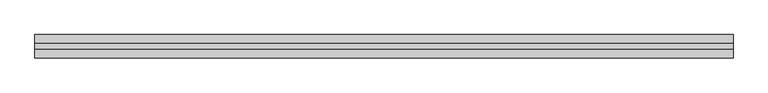
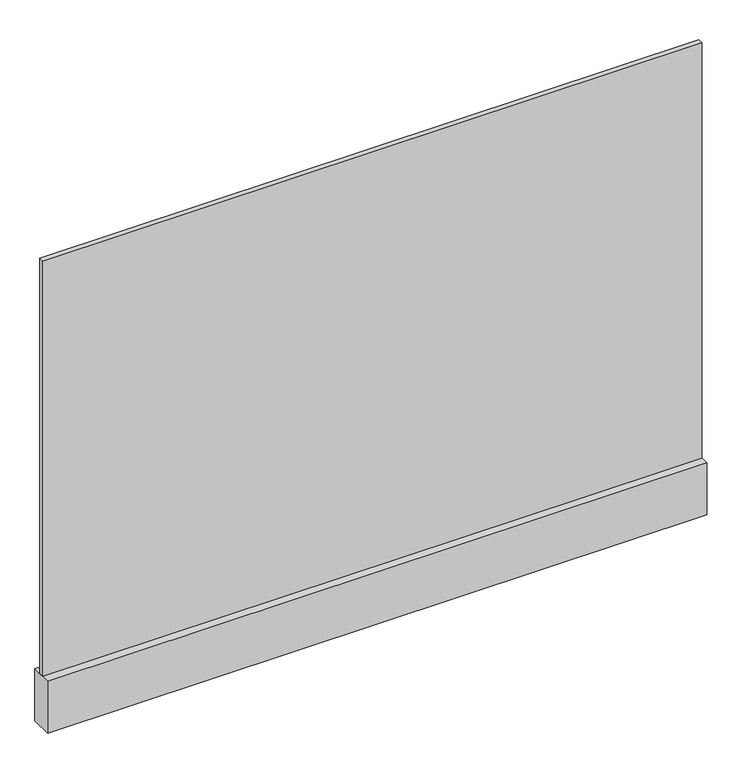
"""IFC4 building model written with IfcOpenShell, lengths in millimetres: plate geometry."""

from ifc_helpers import new_model, si_unit, frame, origin, origin_with_axes, place, context, project, spatial, polyline, outline, extrude, source, transform, mapped, element, save


def plate_b29589f3(model_context):
    return source(origin(), model_context, "Body", "SweptSolid", [
        extrude(outline(polyline([(-600.9309555, -5.0), (-600.9309555, 5.0), (600.9309555, 5.0), (600.9309555, -5.0), (-600.9309555, -5.0)])), frame((0.0, 0.0, 100.0), z_axis=(0.0, 0.0, 1.0), x_axis=(1.0, 0.0, 0.0)), (0.0, 0.0, 1.0), 800.0),
        extrude(outline(polyline([(-600.9309555, -20.0), (-600.9309555, 20.0), (600.9309555, 20.0), (600.9309555, -20.0), (-600.9309555, -20.0)])), origin_with_axes(), (0.0, 0.0, 1.0), 100.0),
    ])


if __name__ == "__main__":
    model = new_model("IFC4")
    model_context = context("Model", 3, world=origin())
    ifc_project = project(units=[si_unit("LENGTHUNIT", "METRE", prefix="MILLI")], contexts=[model_context])
    site = spatial("IfcSite", under=ifc_project)
    building = spatial("IfcBuilding", under=site)
    placement = place(None, origin())
    plate_shape = plate_b29589f3(model_context)
    element("IfcPlate", 1, at=placement, inside=building, context=model_context, shape_type="MappedRepresentation", body=[
        mapped(plate_shape, transform((0.0, 0.0, 0.0), x_axis=(1.0, 0.0, 0.0), y_axis=(0.0, 1.0, 0.0), z_axis=(0.0, 0.0, 1.0))),
    ])
    save(model, "model.ifc")
